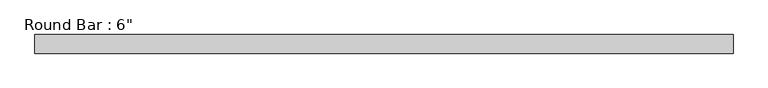
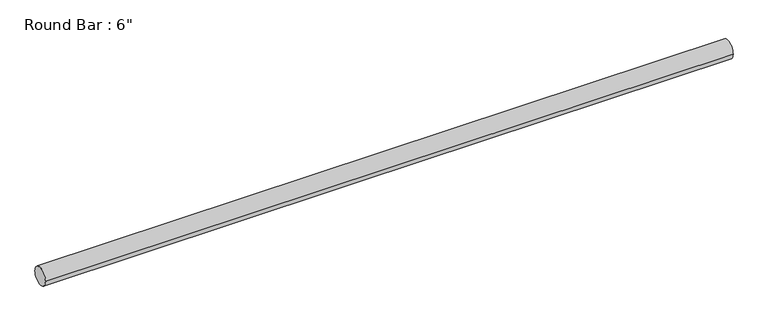
"""IFC4 building model written with IfcOpenShell, lengths in millimetres: beam geometry."""

from ifc_helpers import new_model, si_unit, point, frame, origin, origin_2d, place, context, project, spatial, circle_curve, trimmed, segment, composite_curve, outline, extrude, source, transform, mapped, element, save


def beam_526e2324(model_context):
    return source(origin(), model_context, "Body", "SweptSolid", [
        extrude(outline(composite_curve([segment(trimmed(circle_curve(origin_2d(), 76.2), [point((-76.2, 0.0))], [point((76.2, 0.0))], False, "CARTESIAN"), True, "CONTINUOUS"), segment(trimmed(circle_curve(origin_2d(), 76.2), [point((76.2, 0.0))], [point((-76.2, 0.0))], False, "CARTESIAN"), True, "CONTINUOUS")], self_intersect=False)), frame((-2854.7228878, 0.0, 0.0), z_axis=(1.0, 0.0, 0.0), x_axis=(0.0, 1.0, 0.0)), (0.0, 0.0, 1.0), 5709.4457755),
    ])


if __name__ == "__main__":
    model = new_model("IFC4")
    model_context = context("Model", 3, world=origin())
    ifc_project = project(units=[si_unit("LENGTHUNIT", "METRE", prefix="MILLI")], contexts=[model_context])
    site = spatial("IfcSite", under=ifc_project)
    building = spatial("IfcBuilding", under=site)
    placement = place(None, origin())
    beam_shape = beam_526e2324(model_context)
    element("IfcBeam", 1, ObjectType="Round Bar : 6\"", at=placement, inside=building, context=model_context, shape_type="MappedRepresentation", body=[
        mapped(beam_shape, transform((0.0, 0.0, 0.0), x_axis=(1.0, 0.0, 0.0), y_axis=(0.0, 1.0, 0.0), z_axis=(0.0, 0.0, 1.0))),
    ])
    save(model, "model.ifc")
